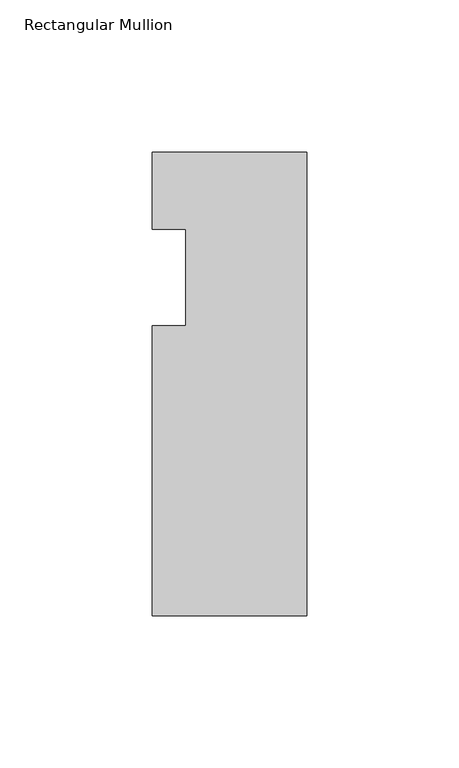
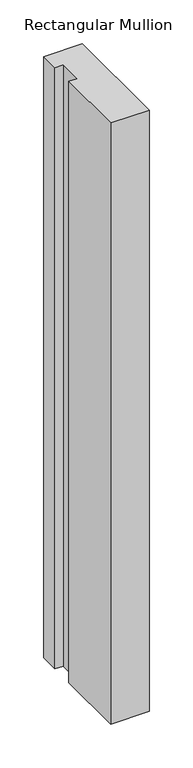
"""IFC4 building model written with IfcOpenShell, lengths in millimetres: member geometry, Rectangular Mullion."""

from ifc_helpers import new_model, si_unit, frame, origin, place, context, project, spatial, polyline, outline, extrude, source, transform, mapped, element, save


def rectangular_mullion_dabf96d8(model_context):
    return source(origin(), model_context, "Body", "SweptSolid", [
        extrude(outline(polyline([(0.0, 6.35), (0.0, -146.05), (-50.8, -146.05), (-50.8, -50.8000003), (-39.798625, -50.8000003), (-39.798625, -19.05), (-50.8, -19.05), (-50.8, 6.35), (0.0, 6.35)])), frame((0.0, 0.0, -838.2), z_axis=(0.0, 0.0, 1.0), x_axis=(1.0, 0.0, 0.0)), (0.0, 0.0, 1.0), 838.2),
    ])


if __name__ == "__main__":
    model = new_model("IFC4")
    model_context = context("Model", 3, world=origin())
    ifc_project = project(units=[si_unit("LENGTHUNIT", "METRE", prefix="MILLI")], contexts=[model_context])
    site = spatial("IfcSite", under=ifc_project)
    building = spatial("IfcBuilding", under=site)
    placement = place(None, origin())
    rectangular_mullion_shape = rectangular_mullion_dabf96d8(model_context)
    element("IfcMember", 1, ObjectType="Rectangular Mullion", at=placement, inside=building, context=model_context, shape_type="MappedRepresentation", body=[
        mapped(rectangular_mullion_shape, transform((0.0, 0.0, 0.0), x_axis=(1.0, 0.0, 0.0), y_axis=(0.0, 1.0, 0.0), z_axis=(0.0, 0.0, 1.0))),
    ])
    save(model, "model.ifc")
